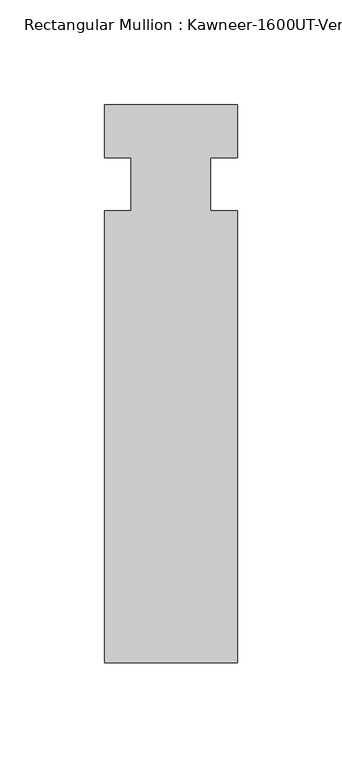
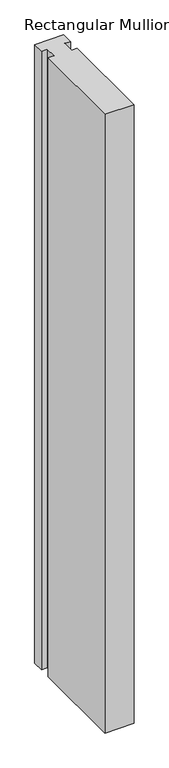
"""IFC4 building model written with IfcOpenShell, lengths in millimetres: member geometry."""

from ifc_helpers import new_model, si_unit, frame, origin, place, context, project, spatial, polyline, outline, extrude, source, transform, mapped, element, save


def member_7bb34c8a(model_context):
    return source(origin(), model_context, "Body", "SweptSolid", [
        extrude(outline(polyline([(31.75, -228.6), (-31.75, -228.6), (-31.75, -12.7), (-19.05, -12.7), (-19.05, 12.7), (-31.75, 12.7), (-31.75, 38.1), (31.75, 38.1), (31.75, 12.7), (19.05, 12.7), (19.05, -12.7), (31.75, -12.7), (31.75, -228.6)])), frame((0.0, 0.0, -1431.925), z_axis=(0.0, 0.0, 1.0), x_axis=(1.0, 0.0, 0.0)), (0.0, 0.0, 1.0), 1431.925),
    ])


if __name__ == "__main__":
    model = new_model("IFC4")
    model_context = context("Model", 3, world=origin())
    ifc_project = project(units=[si_unit("LENGTHUNIT", "METRE", prefix="MILLI")], contexts=[model_context])
    site = spatial("IfcSite", under=ifc_project)
    building = spatial("IfcBuilding", under=site)
    placement = place(None, origin())
    member_shape = member_7bb34c8a(model_context)
    element("IfcMember", 1, ObjectType="Rectangular Mullion : Kawneer-1600UT-Vertical_Interior-w/_Cap-Dbl_Glass-10_1/2\"", at=placement, inside=building, context=model_context, shape_type="MappedRepresentation", body=[
        mapped(member_shape, transform((0.0, 0.0, 0.0), x_axis=(1.0, 0.0, 0.0), y_axis=(0.0, 1.0, 0.0), z_axis=(0.0, 0.0, 1.0))),
    ])
    save(model, "model.ifc")
